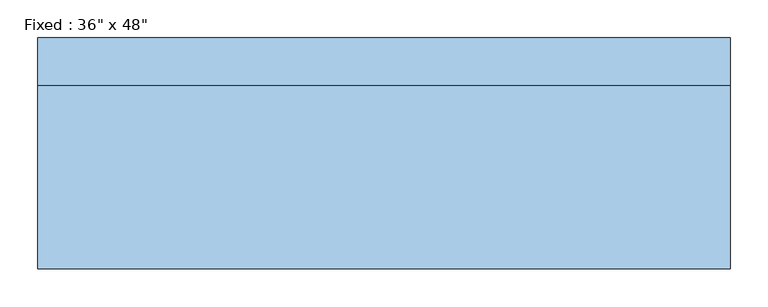
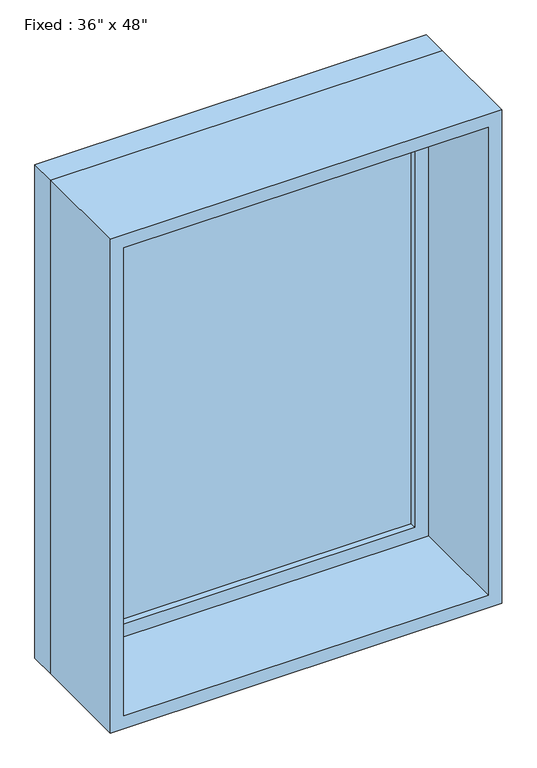
"""IFC4 building model written with IfcOpenShell, lengths in millimetres: window geometry."""

from ifc_helpers import new_model, si_unit, frame, origin, place, context, project, spatial, polyline, outline, extrude, source, transform, mapped, element, save


def window_bb2604eb(model_context):
    return source(origin(), model_context, "Body", "SweptSolid", [
        extrude(outline(polyline([(355.6, 104.775), (-431.8, 104.775), (-431.8, 117.475), (355.6, 117.475), (355.6, 104.775)])), frame((0.0, 0.0, 977.9), z_axis=(0.0, 0.0, 1.0), x_axis=(1.0, 0.0, 0.0)), (0.0, 0.0, 1.0), 1092.2),
        extrude(outline(polyline([(2114.55, -476.25), (933.45, -476.25), (933.45, 400.05), (2114.55, 400.05), (2114.55, -476.25)]), holes=[polyline([(2070.1, -431.8), (2070.1, 355.6), (977.9, 355.6), (977.9, -431.8), (2070.1, -431.8)])]), frame((0.0, 88.9, 0.0), z_axis=(0.0, 1.0, 0.0), x_axis=(0.0, 0.0, 1.0)), (0.0, 0.0, 1.0), 44.45),
        extrude(outline(polyline([(2133.6, -495.3), (914.4, -495.3), (914.4, 419.1), (2133.6, 419.1), (2133.6, -495.3)]), holes=[polyline([(2101.85, -463.55), (2101.85, 387.35), (946.15, 387.35), (946.15, -463.55), (2101.85, -463.55)])]), frame((0.0, -152.4, 0.0), z_axis=(0.0, 1.0, 0.0), x_axis=(0.0, 0.0, 1.0)), (0.0, 0.0, 1.0), 241.3),
        extrude(outline(polyline([(2133.6, 419.1), (2133.6, -495.3), (914.4, -495.3), (914.4, 419.1), (2133.6, 419.1)]), holes=[polyline([(2114.55, 400.05), (933.45, 400.05), (933.45, -476.25), (2114.55, -476.25), (2114.55, 400.05)])]), frame((0.0, 88.9, 0.0), z_axis=(0.0, 1.0, 0.0), x_axis=(0.0, 0.0, 1.0)), (0.0, 0.0, 1.0), 63.5),
    ])


if __name__ == "__main__":
    model = new_model("IFC4")
    model_context = context("Model", 3, world=origin())
    ifc_project = project(units=[si_unit("LENGTHUNIT", "METRE", prefix="MILLI")], contexts=[model_context])
    site = spatial("IfcSite", under=ifc_project)
    building = spatial("IfcBuilding", under=site)
    placement = place(None, origin())
    window_shape = window_bb2604eb(model_context)
    element("IfcWindow", 1, ObjectType="Fixed : 36\" x 48\"", at=placement, inside=building, context=model_context, shape_type="MappedRepresentation", body=[
        mapped(window_shape, transform((0.0, 0.0, 0.0), x_axis=(1.0, 0.0, 0.0), y_axis=(0.0, 1.0, 0.0), z_axis=(0.0, 0.0, 1.0))),
    ])
    save(model, "model.ifc")
